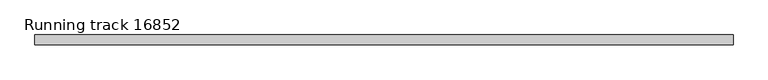
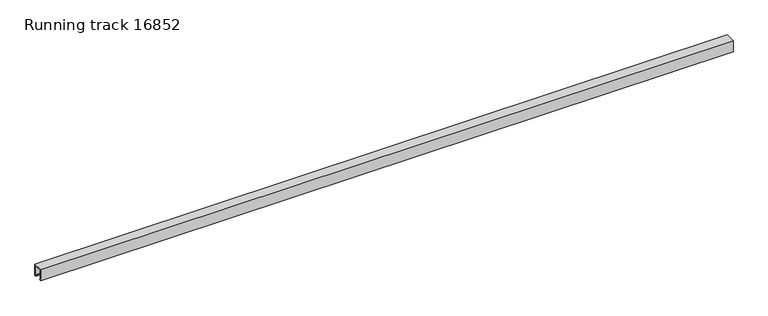
"""IFC4 building model written with IfcOpenShell, lengths in millimetres: proxy geometry, Running track 16852."""

from ifc_helpers import new_model, si_unit, frame, origin, place, context, project, spatial, polyline, outline, extrude, source, transform, mapped, element, save


def running_track_16852_3ba8bceb(model_context):
    return source(origin(), model_context, "Body", "SweptSolid", [
        extrude(outline(polyline([(25.0, 0.0), (17.0, 0.0), (17.0, 3.0), (21.9166556, 3.0), (21.9166556, 55.0), (-22.0, 55.0), (-22.0, 3.0), (-17.0, 3.0), (-17.0, 0.0), (-25.0, 0.0), (-25.0, 58.0), (25.0, 58.0), (25.0, 0.0)])), frame((0.0, 0.0, 0.0), z_axis=(1.0, 0.0, 0.0), x_axis=(0.0, 1.0, 0.0)), (0.0, 0.0, 1.0), 3469.8591396),
    ])


if __name__ == "__main__":
    model = new_model("IFC4")
    model_context = context("Model", 3, world=origin())
    ifc_project = project(units=[si_unit("LENGTHUNIT", "METRE", prefix="MILLI")], contexts=[model_context])
    site = spatial("IfcSite", under=ifc_project)
    building = spatial("IfcBuilding", under=site)
    placement = place(None, origin())
    running_track_16852_shape = running_track_16852_3ba8bceb(model_context)
    element("IfcBuildingElementProxy", 1, Name="Running track 16852", ObjectType="Running track 16852", at=placement, inside=building, context=model_context, shape_type="MappedRepresentation", body=[
        mapped(running_track_16852_shape, transform((0.0, 0.0, 0.0), x_axis=(1.0, 0.0, 0.0), y_axis=(0.0, 1.0, 0.0), z_axis=(0.0, 0.0, 1.0))),
    ])
    save(model, "model.ifc")
